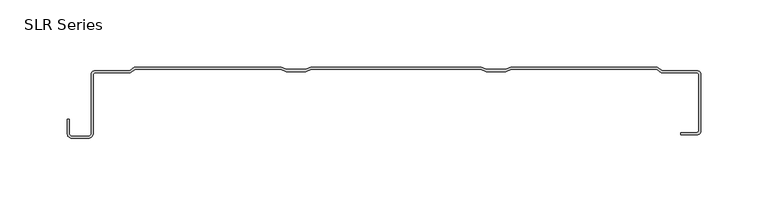
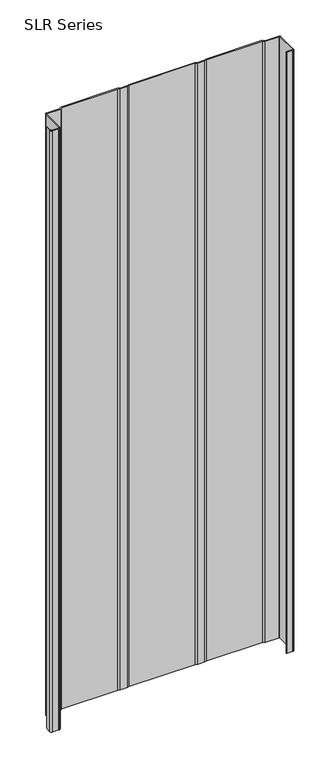
"""IFC4 building model written with IfcOpenShell, lengths in millimetres: plate geometry, SLR Series."""

from ifc_helpers import new_model, si_unit, point, frame_2d, origin, origin_with_axes, place, context, project, spatial, polyline, circle_curve, trimmed, segment, composite_curve, outline, extrude, source, transform, mapped, element, save


def slr_series_c2f9dea2(model_context):
    return source(origin(), model_context, "Body", "SweptSolid", [
        extrude(outline(composite_curve([segment(polyline([(214.496908, -50.2795449), (214.496908, -48.6618105), (226.5762297, -48.6618105)]), True, "CONTINUOUS"), segment(trimmed(circle_curve(frame_2d((226.5762297, -47.5057747)), 1.1560358), [point((226.5762297, -48.6618105))], [point((227.7322655, -47.5057747))], True, "CARTESIAN"), True, "CONTINUOUS"), segment(polyline([(227.7322655, -47.5057747), (227.7322655, -5.428315)]), True, "CONTINUOUS"), segment(trimmed(circle_curve(frame_2d((226.5762297, -5.428315)), 1.1560358), [point((227.7322655, -5.428315))], [point((226.5762297, -4.2722792))], True, "CARTESIAN"), True, "CONTINUOUS"), segment(polyline([(226.5762297, -4.2722792), (199.9498109, -4.2722792), (196.3701053, -1.5875), (88.2640323, -1.5875), (84.1417232, -3.2364237), (69.7582765, -3.2364237), (65.6359674, -1.5875), (-60.7851423, -1.5875), (-64.9074514, -3.2364237), (-79.290898, -3.2364237), (-83.4132071, -1.5875), (-191.8345649, -1.5875), (-195.4142705, -4.2722792), (-221.8338237, -4.2722792)]), True, "CONTINUOUS"), segment(trimmed(circle_curve(frame_2d((-221.8338237, -5.3846124)), 1.1123332), [point((-221.8338237, -4.2722792))], [point((-222.9461569, -5.3846124))], True, "CARTESIAN"), True, "CONTINUOUS"), segment(polyline([(-222.9461569, -5.3846124), (-222.9461569, -49.322367)]), True, "CONTINUOUS"), segment(trimmed(circle_curve(frame_2d((-226.4785174, -49.322367)), 3.5323605), [point((-222.9461569, -49.322367))], [point((-226.4785174, -52.8547275))], False, "CARTESIAN"), True, "CONTINUOUS"), segment(polyline([(-226.4785174, -52.8547275), (-238.8643673, -52.8547275)]), True, "CONTINUOUS"), segment(trimmed(circle_curve(frame_2d((-238.8643673, -49.322367)), 3.5323605), [point((-238.8643673, -52.8547275))], [point((-242.3967278, -49.322367))], False, "CARTESIAN"), True, "CONTINUOUS"), segment(polyline([(-242.3967278, -49.322367), (-242.3967278, -38.9158598), (-240.8437101, -38.9158598), (-240.8437101, -49.322367)]), True, "CONTINUOUS"), segment(trimmed(circle_curve(frame_2d((-238.8643673, -49.322367)), 1.9793427), [point((-240.8437101, -49.322367))], [point((-238.8643673, -51.3017098))], True, "CARTESIAN"), True, "CONTINUOUS"), segment(polyline([(-238.8643673, -51.3017098), (-226.4785174, -51.3017098)]), True, "CONTINUOUS"), segment(trimmed(circle_curve(frame_2d((-226.4785174, -49.322367)), 1.9793427), [point((-226.4785174, -51.3017098))], [point((-224.4991747, -49.322367))], True, "CARTESIAN"), True, "CONTINUOUS"), segment(polyline([(-224.4991747, -49.322367), (-224.4991747, -5.4093769)]), True, "CONTINUOUS"), segment(trimmed(circle_curve(frame_2d((-221.7739185, -5.4093769)), 2.7252562), [point((-224.4991747, -5.4093769))], [point((-221.8338237, -2.6847792))], False, "CARTESIAN"), True, "CONTINUOUS"), segment(polyline([(-221.8338237, -2.6847792), (-195.9434372, -2.6847792), (-192.3637316, 0.0), (-83.1074826, 0.0), (-78.9851734, -1.6489237), (-65.2131759, -1.6489237), (-61.0908668, 0.0), (65.941692, 0.0), (70.0640011, -1.6489237), (83.8359986, -1.6489237), (87.9583077, 0.0), (196.899272, 0.0), (200.4789776, -2.6847792), (226.5762297, -2.6847792)]), True, "CONTINUOUS"), segment(trimmed(circle_curve(frame_2d((226.6272458, -5.4070553)), 2.722754), [point((226.5762297, -2.6847792))], [point((229.3499998, -5.4070553))], False, "CARTESIAN"), True, "CONTINUOUS"), segment(polyline([(229.3499998, -5.4070553), (229.3499998, -47.5057747)]), True, "CONTINUOUS"), segment(trimmed(circle_curve(frame_2d((226.5762297, -47.5057747)), 2.7737702), [point((229.3499998, -47.5057747))], [point((226.5762297, -50.2795449))], False, "CARTESIAN"), True, "CONTINUOUS"), segment(polyline([(226.5762297, -50.2795449), (214.496908, -50.2795449)]), True, "CONTINUOUS")], self_intersect=False)), origin_with_axes(), (0.0, 0.0, 1.0), 1228.3559792),
    ])


if __name__ == "__main__":
    model = new_model("IFC4")
    model_context = context("Model", 3, world=origin())
    ifc_project = project(units=[si_unit("LENGTHUNIT", "METRE", prefix="MILLI")], contexts=[model_context])
    site = spatial("IfcSite", under=ifc_project)
    building = spatial("IfcBuilding", under=site)
    placement = place(None, origin())
    slr_series_shape = slr_series_c2f9dea2(model_context)
    element("IfcPlate", 1, ObjectType="SLR Series", at=placement, inside=building, context=model_context, shape_type="MappedRepresentation", body=[
        mapped(slr_series_shape, transform((0.0, 0.0, 0.0), x_axis=(1.0, 0.0, 0.0), y_axis=(0.0, 1.0, 0.0), z_axis=(0.0, 0.0, 1.0))),
    ])
    save(model, "model.ifc")
